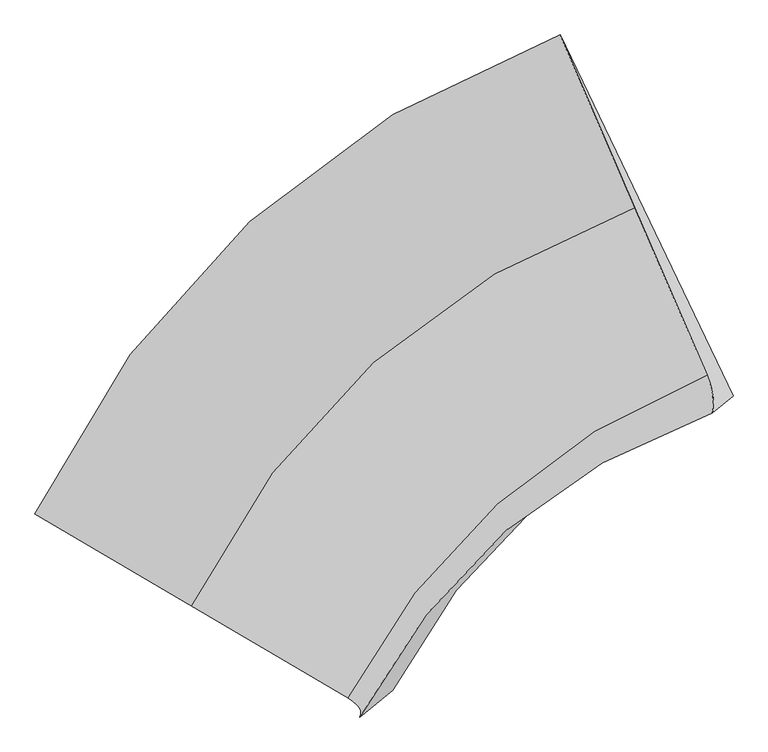
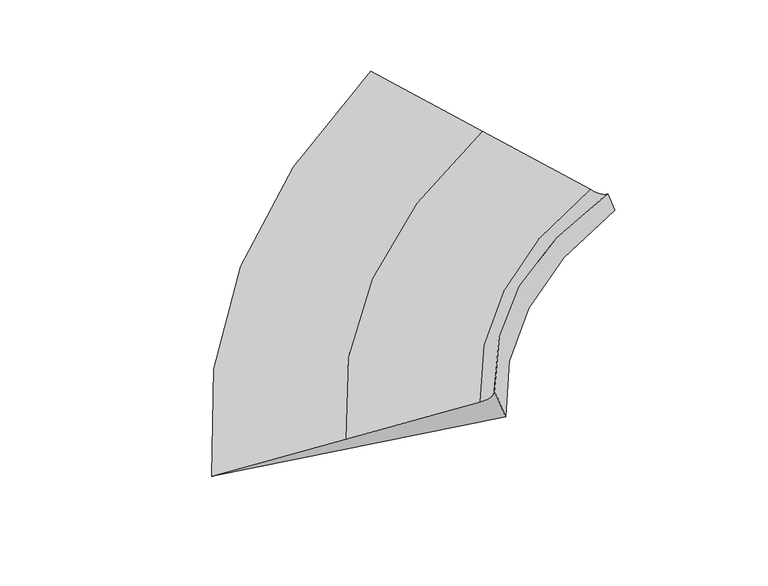
"""IFC4 building model written with IfcOpenShell, lengths in millimetres: proxy geometry."""

from ifc_helpers import new_model, si_unit, frame, origin, place, context, project, spatial, source, transform, mapped, element, save
from ifc_brep_helpers import plane_surface, spline_curve, spline_surface, advanced_brep


def generic_models_413db9b1(model_context):
    return source(origin(), model_context, "Body", "AdvancedBrep", [
        advanced_brep(
        [(-3913.9968686, -5704.8983887, 365.7719984), (-2739.8109815, -6396.1856369, 831.614722), (590.4617862, -3402.5851459, 1675.3490694), (31.2141688, -2106.0748002, 1828.1927446), (-1564.3151095, -7088.2441222, 1297.9771648), (1133.8672717, -4662.3684903, 1526.8350858), (-1473.9151149, -7232.409934, 1499.464369), (1173.7597829, -4947.5435238, 1632.0619704), (-1226.3605316, -7030.2502217, 964.0937229), (1329.4299365, -4820.4191012, 1295.4039712)],
        [
            (0, 1),
            (1, 2, spline_curve(3, [(-2739.8109815, -6396.1856369, 831.614722), (-2383.696843086, -5676.727089476, 964.309368031), (-1928.257066366, -5067.582791908, 1100.940300938), (-818.313862438, -4069.551900555, 1382.17922935), (-163.662716593, -3680.829368035, 1526.793078697), (590.4617862, -3402.5851459, 1675.3490694)], [4, 2, 4], [0.0, 8.424254509562926, 16.854771023576305])),
            (2, 3),
            (3, 0, spline_curve(3, [(31.2141688, -2106.0748002, 1828.1927446), (-866.702251055, -2440.303293128, 1569.584197252), (-1644.505584999, -2907.480302656, 1318.368996249), (-2959.397562178, -4107.285594745, 830.906393526), (-3496.664574341, -4839.71644793, 594.648012128), (-3913.9968686, -5704.8983887, 365.7719984)], [4, 2, 4], [0.0, 8.430516514013378, 16.854771023576305])),
            (1, 4),
            (4, 5, spline_curve(3, [(-1564.3151095, -7088.2441222, 1297.9771648), (-1266.525040471, -6521.279330517, 1333.673686662), (-892.89319911, -6035.685495678, 1370.585903387), (6.388135109, -5226.93926897, 1446.870069249), (532.15042076, -4903.907893055, 1486.243826003), (1133.8672717, -4662.3684903, 1526.8350858)], [4, 2, 4], [0.0, 6.854702735721877, 13.714500780350777])),
            (5, 2),
            (4, 6, spline_curve(3, [(-1564.3151095, -7088.2441222, 1297.9771648), (-1550.292209339, -7097.05799289, 1304.556880449), (-1537.769422181, -7105.737753751, 1311.905599077), (-1515.724074019, -7122.829055849, 1328.141042323), (-1506.201513, -7131.240596991, 1337.027766904), (-1490.156617, -7147.795459809, 1356.339222096), (-1483.634282025, -7155.938781426, 1366.763952736), (-1473.589838175, -7171.957204974, 1389.151419864), (-1470.067729344, -7179.832306967, 1401.114156363), (-1466.023737656, -7195.314291233, 1426.577635437), (-1465.501854864, -7202.921173507, 1440.07837799), (-1467.458315336, -7217.866718493, 1468.61786901), (-1469.936658583, -7225.205381147, 1483.656617517), (-1473.9151149, -7232.409934, 1499.464369)], [4, 2, 2, 2, 2, 2, 4], [0.0, 0.14775223732420067, 0.29550447464840135, 0.443256711972602, 0.5910089492968027, 0.7387611866210033, 0.8865134239452039])),
            (6, 7, spline_curve(3, [(-1473.9151149, -7232.409934, 1499.464369), (-1179.065365257, -6676.767921027, 1515.375373926), (-811.110059797, -6208.579617701, 1534.375423069), (71.339515742, -5446.827418702, 1578.570029426), (585.942509733, -5153.393585264, 1603.769180667), (1173.7597829, -4947.5435238, 1632.0619704)], [4, 2, 4], [0.0, 5.944761568203651, 11.893942058384873])),
            (7, 5, spline_curve(3, [(1173.7597829, -4947.5435238, 1632.0619704), (1176.706006592, -4933.712882943, 1618.805045836), (1178.791817984, -4919.546839377, 1606.783285718), (1181.242615816, -4890.543946623, 1585.210094282), (1181.607602355, -4875.707097497, 1575.658662978), (1180.616750645, -4845.362593703, 1559.026129222), (1179.260912326, -4829.854939017, 1551.945026737), (1174.828411074, -4798.168824183, 1540.253150663), (1171.751748097, -4781.990364036, 1535.642377097), (1163.877597303, -4748.962638164, 1528.891158703), (1159.080109568, -4732.113372456, 1526.750713952), (1147.764309232, -4697.744035544, 1524.940153248), (1141.245996639, -4680.223964276, 1525.270037311), (1133.8672717, -4662.3684903, 1526.8350858)], [4, 2, 2, 2, 2, 2, 4], [0.0, 0.14775223732420062, 0.29550447464840124, 0.4432567119726019, 0.5910089492968026, 0.7387611866210033, 0.8865134239452039])),
            (6, 8),
            (8, 9, spline_curve(3, [(-1226.3605316, -7030.2502217, 964.0937229), (-944.73437264, -6485.406947693, 1008.602551379), (-591.044666434, -6028.868315064, 1058.453909785), (260.778315769, -5292.126613818, 1168.88271391), (759.018765514, -5012.054872735, 1229.468104884), (1329.4299365, -4820.4191012, 1295.4039712)], [4, 2, 4], [0.0, 5.780375492545418, 11.5650477139015])),
            (9, 7),
            (8, 0),
            (3, 9),
        ],
        [
            spline_surface(3, 3, [[(-3913.9968686, -5704.8983887, 365.7719984), (-3496.664574265, -4839.716447985, 594.64801222), (-2959.397562228, -4107.285594716, 830.90639343), (-1644.50558495, -2907.480302685, 1318.368996344), (-866.702251165, -2440.303293142, 1569.584197195), (31.2141688, -2106.0748002, 1828.1927446)], [(-3522.601572902, -5935.327471403, 521.052906274), (-3125.675330574, -5118.71999511, 717.86846412), (-2615.684063633, -4427.384660404, 920.91769594), (-1369.108344067, -3294.837501999, 1339.639074007), (-632.355739599, -2853.811984731, 1555.320491049), (217.630041263, -2538.244915418, 1777.244852876)], [(-3131.206277198, -6165.756554197, 676.333814126), (-2754.686086877, -5397.723542326, 841.088916), (-2271.970565067, -4747.48372612, 1010.928998448), (-1093.711103214, -3682.194701341, 1360.909151668), (-398.009228021, -3267.320676366, 1541.056784875), (404.045913737, -2970.415030682, 1726.296961124)], [(-2739.8109815, -6396.1856369, 831.614722), (-2383.696843186, -5676.727089451, 964.3093679), (-1928.257066472, -5067.582791807, 1100.940300957), (-818.313862331, -4069.551900655, 1382.179229331), (-163.662716455, -3680.829367956, 1526.793078729), (590.4617862, -3402.5851459, 1675.3490694)]], [4, 4], [4, 2, 4], [0.0, 4.658778933984561], [0.0, 8.424254509562926, 16.854771023576305]),
            spline_surface(3, 3, [[(-2739.8109815, -6396.1856369, 831.614722), (-2383.696843186, -5676.727089451, 964.3093679), (-1928.257066472, -5067.582791807, 1100.940300957), (-818.313862331, -4069.551900655, 1382.179229331), (-163.662716455, -3680.829367956, 1526.793078729), (590.4617862, -3402.5851459, 1675.3490694)], [(-2347.979024183, -6626.871798667, 987.068869597), (-2011.306242261, -5958.244503106, 1087.430807473), (-1583.135777359, -5390.283693088, 1190.822168478), (-543.41319654, -4455.347690127, 1403.742842613), (68.274995984, -4088.522209709, 1513.276661124), (771.596948029, -3822.512927389, 1625.84440818)], [(-1956.147066817, -6857.557960433, 1142.523017203), (-1638.915641289, -6239.761916758, 1210.552247054), (-1238.0144882, -5712.984594333, 1280.704035968), (-268.512530705, -4841.143479563, 1425.306455864), (300.212708435, -4496.215051394, 1499.760243578), (952.732109871, -4242.440708811, 1576.33974702)], [(-1564.3151095, -7088.2441222, 1297.9771648), (-1266.525040364, -6521.279330413, 1333.673686626), (-892.893199086, -6035.685495613, 1370.585903489), (6.388135086, -5226.939269034, 1446.870069147), (532.150420874, -4903.907893147, 1486.243825973), (1133.8672717, -4662.3684903, 1526.8350858)]], [4, 4], [4, 2, 4], [0.0, 4.665617215542004], [0.0, 6.854702735721877, 13.714500780350777]),
            spline_surface(3, 3, [[(-1564.3151095, -7088.2441222, 1297.9771648), (-1266.525040364, -6521.279330413, 1333.673686626), (-892.893199086, -6035.685495613, 1370.585903489), (6.388135086, -5226.939269034, 1446.870069147), (532.150420874, -4903.907893147, 1486.243825973), (1133.8672717, -4662.3684903, 1526.8350858)], [(-1550.292209339, -7097.057992888, 1304.556880448), (-1253.658665808, -6531.177677716, 1338.941280152), (-881.158572102, -6046.879189858, 1374.518966104), (15.908000147, -5241.146517432, 1448.088243709), (540.587308433, -4919.833662366, 1486.081610067), (1141.245996639, -4680.223964276, 1525.270037311)], [(-1537.769422181, -7105.737753751, 1311.905599079), (-1242.126875166, -6540.866009637, 1345.013364449), (-870.622465002, -6057.808139878, 1379.313087982), (24.442622694, -5255.021892465, 1450.322833328), (548.116123003, -4935.415189472, 1487.034627879), (1147.764309232, -4697.744035544, 1524.940153247)], [(-1515.724074019, -7122.829055849, 1328.141042321), (-1221.732461861, -6559.822642734, 1358.766514603), (-851.947290532, -6079.136551542, 1390.623449967), (39.541382804, -5282.108895872, 1456.824842382), (561.357606005, -4965.88975925, 1491.171130923), (1159.080109568, -4732.113372456, 1526.750713953)], [(-1506.201513002, -7131.24059699, 1337.027766907), (-1212.869839185, -6569.090943817, 1366.447580434), (-843.808223134, -6089.536013189, 1397.139690165), (46.105520395, -5295.320524249, 1461.092261908), (567.070274432, -4980.782801985, 1494.354616138), (1163.877597304, -4748.962638164, 1528.891158705)], [(-1490.156616998, -7147.79545981, 1356.339222093), (-1197.813761689, -6587.207515405, 1383.41869369), (-829.927128164, -6109.805448029, 1411.894288906), (57.263310493, -5321.080034267, 1471.659930892), (576.67946532, -5009.880403103, 1502.952054038), (1171.751748096, -4781.990364036, 1535.642377095)], [(-1483.634282022, -7155.938781429, 1366.763952735), (-1191.620306879, -6596.055785851, 1392.708741156), (-824.185100567, -6119.675421203, 1420.132647424), (61.856963026, -5333.627915889, 1477.960180326), (580.575987703, -5024.084961467, 1508.366006655), (1174.828411075, -4798.168824183, 1540.253150663)], [(-1473.589838178, -7171.957204971, 1389.151419865), (-1181.902565192, -6613.332295931, 1412.897817514), (-815.098085097, -6138.885879218, 1438.331482921), (69.073783113, -5358.059932517, 1492.59350924), (586.552886476, -5051.805593924, 1521.424379411), (1179.260912325, -4829.854939017, 1551.945026737)], [(-1470.067729343, -7179.832306968, 1401.114156362), (-1178.378278348, -6621.760535639, 1423.796846414), (-811.753097302, -6148.226364019, 1448.291959859), (71.696950589, -5369.944067484, 1500.926588681), (588.633262916, -5065.321668018, 1529.068799531), (1180.616750647, -4845.362593703, 1559.026129221)], [(-1466.023737657, -7195.314291232, 1426.577635438), (-1173.99887247, -6638.196984211, 1447.203885874), (-807.460161332, -6166.37784521, 1469.935032112), (74.972800665, -5393.048590724, 1519.625577525), (590.977869574, -5091.665331815, 1546.588107143), (1181.607602353, -4875.707097497, 1575.658662979)], [(-1465.501854863, -7202.921173506, 1440.07837799), (-1173.143753492, -6646.205193081, 1459.711896408), (-806.512213238, -6175.188841638, 1481.61762737), (75.625483183, -5404.268979036, 1529.991486873), (591.242099871, -5104.492921538, 1556.462994665), (1181.242615818, -4890.543946623, 1585.210094279)], [(-1467.458315337, -7217.866718494, 1468.61786901), (-1174.102683422, -6661.801580144, 1486.336898971), (-807.013356768, -6192.281346004, 1506.704936379), (74.960363247, -5426.046008886, 1552.756135647), (589.954414413, -5129.459616675, 1578.443237134), (1178.791817982, -4919.546839377, 1606.783285721)], [(-1469.936658584, -7225.205381145, 1483.656617518), (-1175.91673231, -6669.389758277, 1500.453891039), (-808.462448375, -6200.562853959, 1520.109650158), (73.642560809, -5436.602650442, 1565.154875103), (588.402498567, -5141.598722027, 1590.548592057), (1176.70600659, -4933.712882943, 1618.805045837)], [(-1473.9151149, -7232.409934, 1499.464369), (-1179.06536518, -6676.767921054, 1515.375373871), (-811.11005989, -6208.57961773, 1534.37542304), (71.339515835, -5446.827418673, 1578.570029455), (585.942509781, -5153.393585265, 1603.76918072), (1173.7597829, -4947.5435238, 1632.0619704)]], [4, 2, 2, 2, 2, 2, 4], [4, 2, 4], [0.0, 0.14775223732420067, 0.29550447464840135, 0.443256711972602, 0.5910089492968027, 0.7387611866210033, 0.8865134239452039], [0.0, 5.944761568203651, 11.893942058384873]),
            spline_surface(3, 3, [[(-1473.9151149, -7232.409934, 1499.464369), (-1179.06536518, -6676.767921054, 1515.375373871), (-811.11005989, -6208.57961773, 1534.37542304), (71.339515835, -5446.827418673, 1578.570029455), (585.942509781, -5153.393585265, 1603.76918072), (1173.7597829, -4947.5435238, 1632.0619704)], [(-1391.396920477, -7165.023363219, 1321.007486978), (-1100.95503434, -6612.980929898, 1346.45109974), (-737.754928752, -6148.67585019, 1375.734918666), (134.48578246, -5395.260483705, 1442.007590928), (643.634595031, -5106.280681094, 1479.002155421), (1225.649834094, -4905.168716255, 1519.842637333)], [(-1308.878726023, -7097.636792481, 1142.550604922), (-1022.844703468, -6549.193938784, 1177.526825576), (-664.399797563, -6088.77208265, 1217.094414243), (197.632049135, -5343.693548739, 1305.445152352), (701.3266803, -5059.167776957, 1354.235130124), (1277.539885306, -4862.793908745, 1407.623304267)], [(-1226.3605316, -7030.2502217, 964.0937229), (-944.734372628, -6485.406947628, 1008.602551445), (-591.044666425, -6028.86831511, 1058.453909869), (260.77831576, -5292.126613771, 1168.882713826), (759.018765551, -5012.054872785, 1229.468104825), (1329.4299365, -4820.4191012, 1295.4039712)]], [4, 4], [4, 2, 4], [0.0, 1.6918686459278445], [0.0, 5.780375492545418, 11.5650477139015]),
            spline_surface(3, 3, [[(-1226.3605316, -7030.2502217, 964.0937229), (-944.734372628, -6485.406947628, 1008.602551445), (-591.044666425, -6028.86831511, 1058.453909869), (260.77831576, -5292.126613771, 1168.882713826), (759.018765551, -5012.054872785, 1229.468104825), (1329.4299365, -4820.4191012, 1295.4039712)], [(-2122.239310572, -6588.466277383, 764.653148059), (-1795.377773145, -5936.843447763, 870.617705029), (-1380.495631681, -5388.340741637, 982.604737722), (-374.316317798, -4497.244510068, 1218.711474665), (217.111759977, -4154.804346241, 1342.840135605), (896.691347265, -3915.637667537, 1473.00022899)], [(-3018.118089628, -6146.682333017, 565.212573241), (-2646.021173747, -5388.27994785, 732.632858636), (-2169.946596972, -4747.813168189, 906.755565577), (-1009.410951391, -3702.362406389, 1268.540235506), (-324.795245592, -3297.553819686, 1456.212166414), (463.952758035, -3010.856233863, 1650.59648681)], [(-3913.9968686, -5704.8983887, 365.7719984), (-3496.664574265, -4839.716447985, 594.64801222), (-2959.397562228, -4107.285594716, 830.90639343), (-1644.50558495, -2907.480302685, 1318.368996344), (-866.702251165, -2440.303293142, 1569.584197195), (31.2141688, -2106.0748002, 1828.1927446)]], [4, 4], [4, 2, 4], [0.0, 9.95312576781744], [0.0, 7.438582182708297, 14.882693689664844]),
            plane_surface(frame((917.06779, -4134.1014789, 1570.623443), z_axis=(0.8196396111423417, 0.2957068960899458, 0.4906611248624463), x_axis=(0.39377209093351095, -0.912886481498595, -0.10761882873812721))),
            plane_surface(frame((-2044.6469061, -6763.9506667, 1031.8268138), z_axis=(-0.3091723188908345, -0.8336015298682509, -0.4577346028355034), x_axis=(0.8795186853616385, -0.433716305196481, 0.1957984900515024))),
        ],
        [
            (0, [[1, 2, 3, 4]]),
            (1, [[5, 6, 7, -2]]),
            (2, [[8, 9, 10, -6]]),
            (3, [[11, 12, 13, -9]]),
            (4, [[14, -4, 15, -12]]),
            (5, [[-3, -7, -10, -13, -15]]),
            (6, [[-14, -11, -8, -5, -1]]),
        ],
    ),
    ])


if __name__ == "__main__":
    model = new_model("IFC4")
    model_context = context("Model", 3, world=origin())
    ifc_project = project(units=[si_unit("LENGTHUNIT", "METRE", prefix="MILLI")], contexts=[model_context])
    site = spatial("IfcSite", under=ifc_project)
    building = spatial("IfcBuilding", under=site)
    placement = place(None, origin())
    generic_models_shape = generic_models_413db9b1(model_context)
    element("IfcBuildingElementProxy", 1, Name="Generic Models", at=placement, inside=building, context=model_context, shape_type="MappedRepresentation", body=[
        mapped(generic_models_shape, transform((0.0, 0.0, 0.0), x_axis=(1.0, 0.0, 0.0), y_axis=(0.0, 1.0, 0.0), z_axis=(0.0, 0.0, 1.0))),
    ])
    save(model, "model.ifc")
